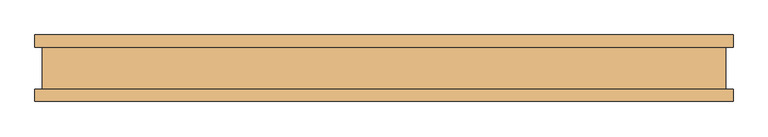
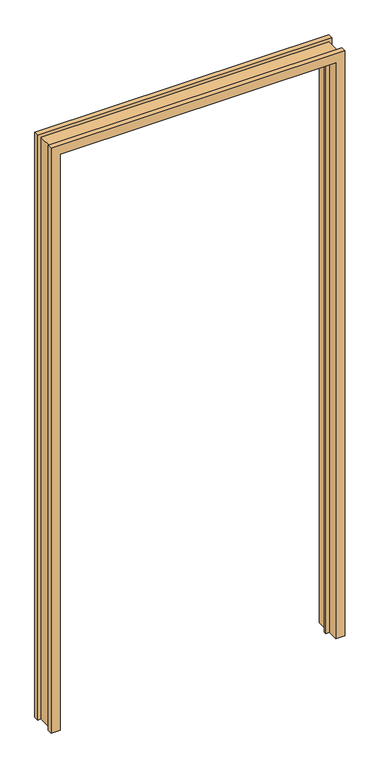
"""IFC4 building model written with IfcOpenShell, lengths in millimetres: door geometry."""

from ifc_helpers import new_model, si_unit, origin, place, context, project, spatial, faceted_brep, source, transform, mapped, element, save


def door_fb2bd878(model_context):
    return source(origin(), model_context, "Body", "Brep", [
        faceted_brep([(-525.3482, 31.447233, 0.0), (-525.3482, 49.989233, 0.0), (-492.3282, 49.989233, 0.0), (-492.3282, -2.6789063, 0.0), (-479.3742, -2.6789063, 0.0), (-479.3742, -10.907167, 0.0), (-492.3282, -10.907167, 0.0), (-492.3282, -50.010667, 0.0), (-525.3482, -50.010667, 0.0), (-525.3482, -31.468567, 0.0), (-514.35, -31.468567, 0.0), (-514.35, 31.447233, 0.0), (-525.3482, 31.447233, 2206.6175997), (-525.3482, 49.989233, 2206.6175997), (525.3482, 49.989233, 2206.6175997), (525.3482, 49.989233, 0.0), (492.3282, 49.989233, 0.0), (492.3282, 49.989233, 2173.5975997), (-492.3282, 49.989233, 2173.5975997), (-492.3282, -2.6789063, 2173.5975997), (492.3282, -2.6789063, 2173.5975997), (492.3282, -2.6789063, 0.0), (479.3742, -2.6789063, 0.0), (479.3742, -2.6789063, 2160.6435997), (-479.3742, -2.6789063, 2160.6435997), (-479.3742, -10.907167, 2160.6435997), (479.3742, -10.907167, 2160.6435997), (479.3742, -10.907167, 0.0), (492.3282, -10.907167, 0.0), (492.3282, -10.907167, 2173.5975997), (-492.3282, -10.907167, 2173.5975997), (-492.3282, -50.010667, 2173.5975997), (492.3282, -50.010667, 2173.5975997), (492.3282, -50.010667, 0.0), (525.3482, -50.010667, 0.0), (525.3482, -50.010667, 2206.6175997), (-525.3482, -50.010667, 2206.6175997), (-525.3482, -31.468567, 2206.6175997), (525.3482, -31.468567, 2206.6175997), (525.3482, -31.468567, 0.0), (514.35, -31.468567, 0.0), (514.35, -31.468567, 2195.6193997), (-514.35, -31.468567, 2195.6193997), (-514.35, 31.447233, 2195.6193997), (514.35, 31.447233, 2195.6193997), (514.35, 31.447233, 0.0), (525.3482, 31.447233, 0.0), (525.3482, 31.447233, 2206.6175997)], [[[0, 1, 2, 3, 4, 5, 6, 7, 8, 9, 10, 11]], [[1, 0, 12, 13]], [[2, 1, 13, 14, 15, 16, 17, 18]], [[3, 2, 18, 19]], [[4, 3, 19, 20, 21, 22, 23, 24]], [[5, 4, 24, 25]], [[6, 5, 25, 26, 27, 28, 29, 30]], [[7, 6, 30, 31]], [[8, 7, 31, 32, 33, 34, 35, 36]], [[9, 8, 36, 37]], [[10, 9, 37, 38, 39, 40, 41, 42]], [[11, 10, 42, 43]], [[0, 11, 43, 44, 45, 46, 47, 12]], [[32, 29, 28, 33]], [[46, 45, 40, 39, 34, 33, 28, 27, 22, 21, 16, 15]], [[44, 41, 40, 45]], [[26, 23, 22, 27]], [[20, 17, 16, 21]], [[14, 47, 46, 15]], [[38, 35, 34, 39]], [[31, 30, 29, 32]], [[43, 42, 41, 44]], [[25, 24, 23, 26]], [[19, 18, 17, 20]], [[13, 12, 47, 14]], [[37, 36, 35, 38]]]),
    ])


if __name__ == "__main__":
    model = new_model("IFC4")
    model_context = context("Model", 3, world=origin())
    ifc_project = project(units=[si_unit("LENGTHUNIT", "METRE", prefix="MILLI")], contexts=[model_context])
    site = spatial("IfcSite", under=ifc_project)
    building = spatial("IfcBuilding", under=site)
    placement = place(None, origin())
    door_shape = door_fb2bd878(model_context)
    element("IfcDoor", 1, at=placement, inside=building, context=model_context, shape_type="MappedRepresentation", body=[
        mapped(door_shape, transform((0.0, 0.0, 0.0), x_axis=(1.0, 0.0, 0.0), y_axis=(0.0, 1.0, 0.0), z_axis=(0.0, 0.0, 1.0))),
    ])
    save(model, "model.ifc")
